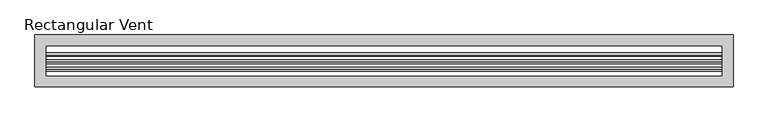
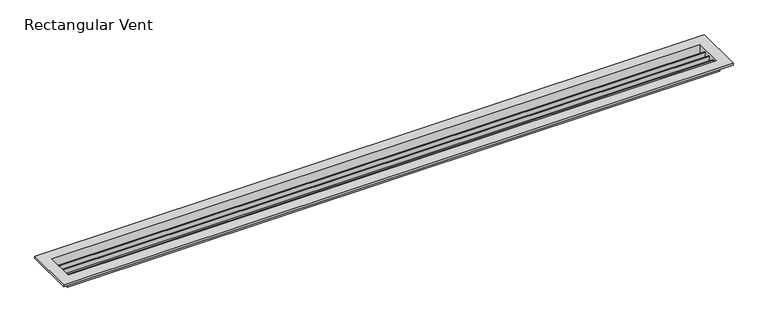
"""IFC4 building model written with IfcOpenShell, lengths in millimetres: air terminal geometry, Rectangular Vent."""

from ifc_helpers import new_model, si_unit, frame, origin, place, context, project, spatial, polyline, outline, extrude, faceted_brep, source, transform, mapped, element, save


def rectangular_vent_26b4720d(model_context):
    return source(origin(), model_context, "Body", "SolidModel", [
        extrude(outline(polyline([(13.0567061, 0.0), (18.41569, -20.0), (15.29069, -20.0), (9.9317061, 0.0), (13.0567061, 0.0)])), frame((-756.92, 0.0, 0.0), z_axis=(1.0, 0.0, 0.0), x_axis=(0.0, 1.0, 0.0)), (0.0, 0.0, 1.0), 1513.84),
        extrude(outline(polyline([(-3.4532939, 0.0), (1.90569, -20.0), (-1.21931, -20.0), (-6.5782939, 0.0), (-3.4532939, 0.0)])), frame((-756.92, 0.0, 0.0), z_axis=(1.0, 0.0, 0.0), x_axis=(0.0, 1.0, 0.0)), (0.0, 0.0, 1.0), 1513.84),
        extrude(outline(polyline([(-19.9632939, 0.0), (-14.60431, -20.0), (-17.72931, -20.0), (-23.0882939, 0.0), (-19.9632939, 0.0)])), frame((-756.92, 0.0, 0.0), z_axis=(1.0, 0.0, 0.0), x_axis=(0.0, 1.0, 0.0)), (0.0, 0.0, 1.0), 1513.84),
        faceted_brep([(762.0, -38.1, -20.0), (762.0, -38.1, 0.0), (-762.0, -38.1, 0.0), (-762.0, -38.1, -20.0), (757.0, -33.1, 5.0), (757.0, -33.1, -20.0), (-757.0, -33.1, -20.0), (-757.0, -33.1, 5.0), (782.0, -58.1, 0.0), (782.0, -58.1, 5.0), (-782.0, -58.1, 5.0), (-782.0, -58.1, 0.0), (-762.0, 38.1, 0.0), (-762.0, 38.1, -20.0), (-757.0, 33.1, -20.0), (-757.0, 33.1, 5.0), (-782.0, 58.1, 5.0), (-782.0, 58.1, 0.0), (762.0, 38.1, 0.0), (762.0, 38.1, -20.0), (757.0, 33.1, -20.0), (757.0, 33.1, 5.0), (782.0, 58.1, 5.0), (782.0, 58.1, 0.0)], [[[0, 1, 2, 3]], [[4, 5, 6, 7]], [[8, 9, 10, 11]], [[3, 2, 12, 13]], [[7, 6, 14, 15]], [[11, 10, 16, 17]], [[13, 12, 18, 19]], [[15, 14, 20, 21]], [[17, 16, 22, 23]], [[11, 17, 23, 8], [1, 18, 12, 2]], [[19, 18, 1, 0]], [[3, 13, 19, 0], [5, 20, 14, 6]], [[21, 20, 5, 4]], [[9, 22, 16, 10], [7, 15, 21, 4]], [[23, 22, 9, 8]]]),
    ])


if __name__ == "__main__":
    model = new_model("IFC4")
    model_context = context("Model", 3, world=origin())
    ifc_project = project(units=[si_unit("LENGTHUNIT", "METRE", prefix="MILLI")], contexts=[model_context])
    site = spatial("IfcSite", under=ifc_project)
    building = spatial("IfcBuilding", under=site)
    placement = place(None, origin())
    rectangular_vent_shape = rectangular_vent_26b4720d(model_context)
    element("IfcAirTerminal", 1, ObjectType="Rectangular Vent", at=placement, inside=building, context=model_context, shape_type="MappedRepresentation", body=[
        mapped(rectangular_vent_shape, transform((0.0, 0.0, 0.0), x_axis=(1.0, 0.0, 0.0), y_axis=(0.0, 1.0, 0.0), z_axis=(0.0, 0.0, 1.0))),
    ])
    save(model, "model.ifc")
